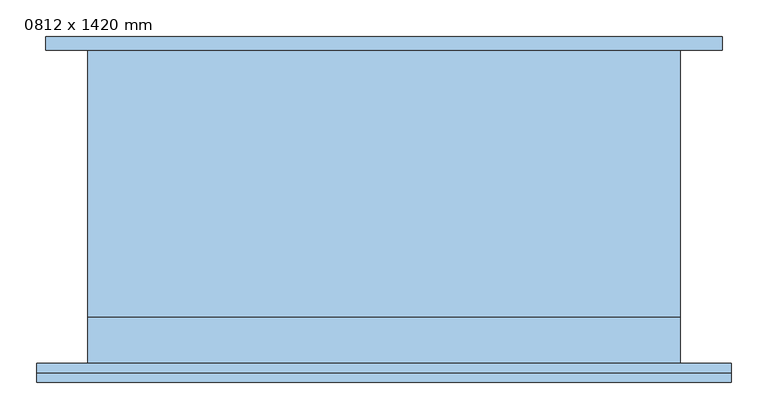
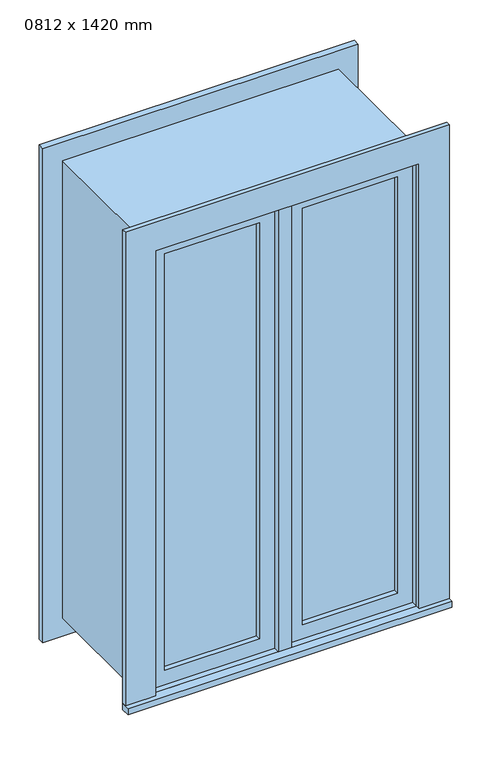
"""IFC4 building model written with IfcOpenShell, lengths in millimetres: window geometry, 0812 x 1420 mm."""

import ifcopenshell
import ifcopenshell.guid

model = None  # the IFC model being written
_history = None  # IfcOwnerHistory: only IFC2X3 demands one
_inside = {}  # id of a spatial element -> (the spatial element, [elements in it])
_under = {}  # id of a project, library or spatial element -> (it, [spatial elements below it])
_declared = {}  # id of a project -> (the project, [libraries it declares])
_typed = {}  # id of a type object -> (the type object, [elements of that type])
_made_of = {}  # id of a material, layer set ... -> (it, [elements and type objects made of it])


def new_model(schema):
    """Start an empty IFC model of exactly this schema.

    Asked for "IFC4X3", IfcOpenShell would pick the latest addendum, in which some entities
    have other attributes; the version numbers below select the first issue.
    IFC2X3 requires an IfcOwnerHistory on every rooted entity: one is made here for all.
    """
    global model, _history
    if schema == "IFC4X3":
        model = ifcopenshell.file(schema_version=(4, 3, 0, 0))
    else:
        model = ifcopenshell.file(schema=schema)
    _inside.clear()
    _under.clear()
    _declared.clear()
    _typed.clear()
    _made_of.clear()
    _history = None
    if model.schema == "IFC2X3":
        org = make("IfcOrganization", Name="unknown")
        user = make(
            "IfcPersonAndOrganization",
            ThePerson=make("IfcPerson", FamilyName="unknown"),
            TheOrganization=org,
        )
        app = make(
            "IfcApplication",
            ApplicationDeveloper=org,
            Version="unknown",
            ApplicationFullName="unknown",
            ApplicationIdentifier="unknown",
        )
        _history = make(
            "IfcOwnerHistory",
            OwningUser=user,
            OwningApplication=app,
            ChangeAction="ADDED",
            CreationDate=0,
        )
    return model


def make(cls, **values):
    """One entity of the class cls with the attributes given. An attribute that is None is left unset."""
    return model.create_entity(
        cls, **{name: value for name, value in values.items() if value is not None}
    )


def rooted(cls, **values):
    """An entity with a GlobalId (a new one), such as an element, a storey or a relation."""
    return make(cls, GlobalId=ifcopenshell.guid.new(), OwnerHistory=_history, **values)


def si_unit(unit_type, name, prefix=None):
    """IfcSIUnit, for example si_unit("LENGTHUNIT", "METRE", prefix="MILLI")."""
    return make("IfcSIUnit", UnitType=unit_type, Prefix=prefix, Name=name)


def assignment(units):
    """IfcUnitAssignment: the units of a project."""
    return None if units is None else make("IfcUnitAssignment", Units=units)


def point(xyz):
    """IfcCartesianPoint."""
    return None if xyz is None else make("IfcCartesianPoint", Coordinates=xyz)


def direction(xyz):
    """IfcDirection."""
    return None if xyz is None else make("IfcDirection", DirectionRatios=xyz)


def frame(location, z_axis=None, x_axis=None):
    """IfcAxis2Placement3D, a coordinate frame: its origin and axes. An axis left out is left unset."""
    return make(
        "IfcAxis2Placement3D",
        Location=point(location),
        Axis=direction(z_axis),
        RefDirection=direction(x_axis),
    )


def origin():
    """The frame at (0, 0, 0) with its axes left unset."""
    return frame((0.0, 0.0, 0.0))


def place(relative_to, where):
    """IfcLocalPlacement: puts the frame where relative to a parent placement (None: the world)."""
    return make(
        "IfcLocalPlacement", PlacementRelTo=relative_to, RelativePlacement=where
    )


def context(
    kind, dimensions, precision=None, world=None, true_north=None, identifier=None
):
    """IfcGeometricRepresentationContext, for example the 3D "Model" context."""
    return make(
        "IfcGeometricRepresentationContext",
        ContextIdentifier=identifier,
        ContextType=kind,
        CoordinateSpaceDimension=dimensions,
        Precision=precision,
        WorldCoordinateSystem=world,
        TrueNorth=true_north,
    )


def project(units=None, contexts=None):
    """IfcProject with its units and contexts."""
    return rooted(
        "IfcProject",
        Name="project",
        RepresentationContexts=contexts,
        UnitsInContext=assignment(units),
    )


def spatial(cls, under=None, at=None, **own):
    """A site, building, storey or space (cls), placed at a placement, below another one or the project."""
    s = rooted(cls, ObjectPlacement=at, **own)
    if under is not None:
        _under.setdefault(under.id(), (under, []))[1].append(s)
    return s


def polyline(points):
    """IfcPolyline through the points."""
    return make("IfcPolyline", Points=[point(p) for p in points])


def outline(outer, holes=None, kind="AREA"):
    """IfcArbitraryClosedProfileDef: a profile drawn as a closed curve; with holes, ...WithVoids."""
    if holes is None:
        return make("IfcArbitraryClosedProfileDef", ProfileType=kind, OuterCurve=outer)
    return make(
        "IfcArbitraryProfileDefWithVoids",
        ProfileType=kind,
        OuterCurve=outer,
        InnerCurves=holes,
    )


def extrude(swept, where, along, depth):
    """IfcExtrudedAreaSolid: the profile swept, set in the frame where, extruded along a direction by depth."""
    return make(
        "IfcExtrudedAreaSolid",
        SweptArea=swept,
        Position=where,
        ExtrudedDirection=direction(along),
        Depth=depth,
    )


def shape(context_of_items, identifier, shape_type, items):
    """IfcShapeRepresentation: the items that make up one representation, for example the "Body"."""
    return make(
        "IfcShapeRepresentation",
        ContextOfItems=context_of_items,
        RepresentationIdentifier=identifier,
        RepresentationType=shape_type,
        Items=items,
    )


def source(mapping_origin, context_of_items, identifier, shape_type, items):
    """IfcRepresentationMap: a shape defined once, which mapped items show again and again."""
    return make(
        "IfcRepresentationMap",
        MappingOrigin=mapping_origin,
        MappedRepresentation=shape(context_of_items, identifier, shape_type, items),
    )


def transform(
    local_origin,
    x_axis=None,
    y_axis=None,
    z_axis=None,
    scale=None,
    scale2=None,
    scale3=None,
    uniform=True,
):
    """IfcCartesianTransformationOperator3D, or its non-uniform kind. x_axis, y_axis, z_axis: its Axis1, 2, 3."""
    if uniform:
        return make(
            "IfcCartesianTransformationOperator3D",
            Axis1=direction(x_axis),
            Axis2=direction(y_axis),
            LocalOrigin=point(local_origin),
            Scale=scale,
            Axis3=direction(z_axis),
        )
    return make(
        "IfcCartesianTransformationOperator3DnonUniform",
        Axis1=direction(x_axis),
        Axis2=direction(y_axis),
        LocalOrigin=point(local_origin),
        Scale=scale,
        Axis3=direction(z_axis),
        Scale2=scale2,
        Scale3=scale3,
    )


def mapped(mapping_source, mapping_target):
    """IfcMappedItem: shows the shape of a source again, moved by a transform."""
    return make(
        "IfcMappedItem", MappingSource=mapping_source, MappingTarget=mapping_target
    )


def made_of(thing, what):
    """Note that an element or type object is made of a material, layer set ...; save() writes the relation."""
    if what is not None:
        _made_of.setdefault(what.id(), (what, []))[1].append(thing)
    return thing


def element(
    cls,
    number,
    at=None,
    inside=None,
    cuts=None,
    type_object=None,
    material=None,
    context=None,
    identifier="Body",
    shape_type=None,
    held_by="IfcProductDefinitionShape",
    body=None,
    shapes=None,
    **own,
):
    """One element of the class cls, such as IfcWall. Its Tag is "e" and its number.

    at: its placement. inside: the storey or other place that contains it. cuts: it is an
    opening in that element (IfcRelVoidsElement). A single representation is given by context,
    identifier, shape_type and body (its items); several are given by shapes. held_by: the class
    of the entity that holds the representations. save() writes the other relations.
    """
    e = rooted(cls, Tag="e%d" % number, ObjectPlacement=at, **own)
    if body is not None:
        shapes = [shape(context, identifier, shape_type, body)]
    if shapes is not None:
        e.Representation = make(held_by, Representations=shapes)
    if inside is not None:
        _inside.setdefault(inside.id(), (inside, []))[1].append(e)
    if cuts is not None:
        rooted(
            "IfcRelVoidsElement", RelatingBuildingElement=cuts, RelatedOpeningElement=e
        )
    if type_object is not None:
        _typed.setdefault(type_object.id(), (type_object, []))[1].append(e)
    return made_of(e, material)


def aggregate(whole, parts):
    """IfcRelAggregates: a whole, such as a stair, and the parts it consists of."""
    return rooted("IfcRelAggregates", RelatingObject=whole, RelatedObjects=parts)


def save(model, path):
    """Write the relations noted so far, then the file.

    IfcRelAggregates (storeys below a building ...), IfcRelContainedInSpatialStructure (elements
    in a storey), IfcRelDefinesByType, IfcRelAssociatesMaterial and IfcRelDeclares: one each for
    every whole, place, type object, material and project.
    """
    for whole, parts in _under.values():
        aggregate(whole, parts)
    for where, things in _inside.values():
        rooted(
            "IfcRelContainedInSpatialStructure",
            RelatedElements=things,
            RelatingStructure=where,
        )
    for kind, things in _typed.values():
        rooted("IfcRelDefinesByType", RelatedObjects=things, RelatingType=kind)
    for what, things in _made_of.values():
        rooted("IfcRelAssociatesMaterial", RelatedObjects=things, RelatingMaterial=what)
    for by, libraries in _declared.values():
        rooted("IfcRelDeclares", RelatingContext=by, RelatedDefinitions=libraries)
    model.write(path)


def window_0812_x_1420_mm_26acfae8(model_context):
    return source(origin(), model_context, "Body", "SweptSolid", [
        extrude(outline(polyline([(63.5, -198.675), (63.5, -185.975), (342.5, -185.975), (342.5, -198.675), (63.5, -198.675)])), frame((0.0, 0.0, 978.5), z_axis=(0.0, 0.0, 1.0), x_axis=(1.0, 0.0, 0.0)), (0.0, 0.0, 1.0), 1293.0),
        extrude(outline(polyline([(2315.95, 19.05), (934.05, 19.05), (934.05, 386.95), (2315.95, 386.95), (2315.95, 19.05)]), holes=[polyline([(2271.5, 63.5), (2271.5, 342.5), (978.5, 342.5), (978.5, 63.5), (2271.5, 63.5)])]), frame((0.0, -214.55, 0.0), z_axis=(0.0, 1.0, 0.0), x_axis=(0.0, 0.0, 1.0)), (0.0, 0.0, 1.0), 44.45),
        extrude(outline(polyline([(-475.95, -259.25), (-475.95, -233.55), (475.95, -233.55), (475.95, -259.25), (-475.95, -259.25)])), frame((0.0, 0.0, 915.0), z_axis=(0.0, 0.0, 1.0), x_axis=(1.0, 0.0, 0.0)), (0.0, 0.0, 1.0), 19.05),
        extrude(outline(polyline([(2315.95, -386.95), (2315.95, 386.95), (934.05, 386.95), (934.05, 475.95), (2404.95, 475.95), (2404.95, -475.95), (934.05, -475.95), (934.05, -386.95), (2315.95, -386.95)])), frame((0.0, -246.55, 0.0), z_axis=(0.0, 1.0, 0.0), x_axis=(0.0, 0.0, 1.0)), (0.0, 0.0, 1.0), 13.0),
        extrude(outline(polyline([(2392.25, 463.25), (2392.25, -463.25), (857.75, -463.25), (857.75, 463.25), (2392.25, 463.25)]), holes=[polyline([(2303.25, 374.25), (946.75, 374.25), (946.75, -374.25), (2303.25, -374.25), (2303.25, 374.25)])]), frame((0.0, 195.45, 0.0), z_axis=(0.0, 1.0, 0.0), x_axis=(0.0, 0.0, 1.0)), (0.0, 0.0, 1.0), 19.0),
        extrude(outline(polyline([(-63.5, -185.975), (-63.5, -198.675), (-342.5, -198.675), (-342.5, -185.975), (-63.5, -185.975)])), frame((0.0, 0.0, 978.5), z_axis=(0.0, 0.0, 1.0), x_axis=(1.0, 0.0, 0.0)), (0.0, 0.0, 1.0), 1293.0),
        extrude(outline(polyline([(2315.95, -386.95), (934.05, -386.95), (934.05, -19.05), (2315.95, -19.05), (2315.95, -386.95)]), holes=[polyline([(2271.5, -342.5), (2271.5, -63.5), (978.5, -63.5), (978.5, -342.5), (2271.5, -342.5)])]), frame((0.0, -214.55, 0.0), z_axis=(0.0, 1.0, 0.0), x_axis=(0.0, 0.0, 1.0)), (0.0, 0.0, 1.0), 44.45),
        extrude(outline(polyline([(2335.0, -406.0), (915.0, -406.0), (915.0, 406.0), (2335.0, 406.0), (2335.0, -406.0)]), holes=[polyline([(2303.25, -374.25), (2303.25, 374.25), (946.75, 374.25), (946.75, -374.25), (2303.25, -374.25)])]), frame((0.0, -170.1, 0.0), z_axis=(0.0, 1.0, 0.0), x_axis=(0.0, 0.0, 1.0)), (0.0, 0.0, 1.0), 365.55),
        extrude(outline(polyline([(2335.0, 406.0), (2335.0, -406.0), (915.0, -406.0), (915.0, 406.0), (2335.0, 406.0)]), holes=[polyline([(2315.95, 386.95), (934.05, 386.95), (934.05, -386.95), (2315.95, -386.95), (2315.95, 386.95)])]), frame((0.0, -233.55, 0.0), z_axis=(0.0, 1.0, 0.0), x_axis=(0.0, 0.0, 1.0)), (0.0, 0.0, 1.0), 63.45),
        extrude(outline(polyline([(19.05, -170.1), (19.05, -233.6), (-19.05, -233.6), (-19.05, -170.1), (19.05, -170.1)])), frame((0.0, 0.0, 934.05), z_axis=(0.0, 0.0, 1.0), x_axis=(1.0, 0.0, 0.0)), (0.0, 0.0, 1.0), 1381.9),
    ])


if __name__ == "__main__":
    model = new_model("IFC4")
    model_context = context("Model", 3, world=origin())
    ifc_project = project(units=[si_unit("LENGTHUNIT", "METRE", prefix="MILLI")], contexts=[model_context])
    site = spatial("IfcSite", under=ifc_project)
    building = spatial("IfcBuilding", under=site)
    placement = place(None, origin())
    window_0812_x_1420_mm_shape = window_0812_x_1420_mm_26acfae8(model_context)
    element("IfcWindow", 1, ObjectType="0812 x 1420 mm", at=placement, inside=building, context=model_context, shape_type="MappedRepresentation", body=[
        mapped(window_0812_x_1420_mm_shape, transform((0.0, 0.0, 0.0), x_axis=(1.0, 0.0, 0.0), y_axis=(0.0, 1.0, 0.0), z_axis=(0.0, 0.0, 1.0))),
    ])
    save(model, "model.ifc")
